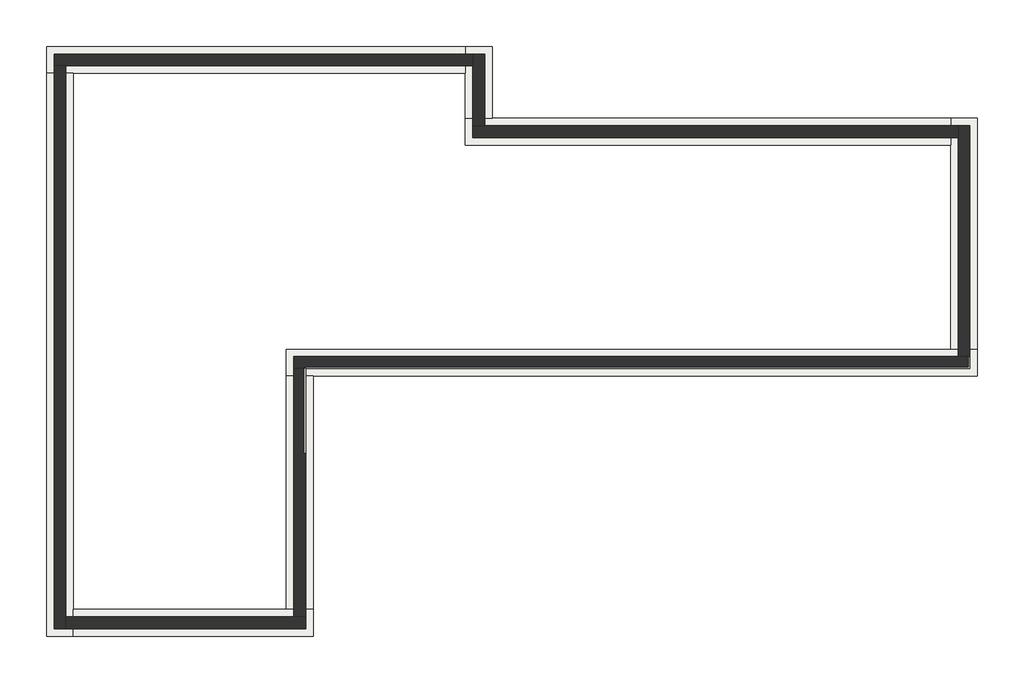
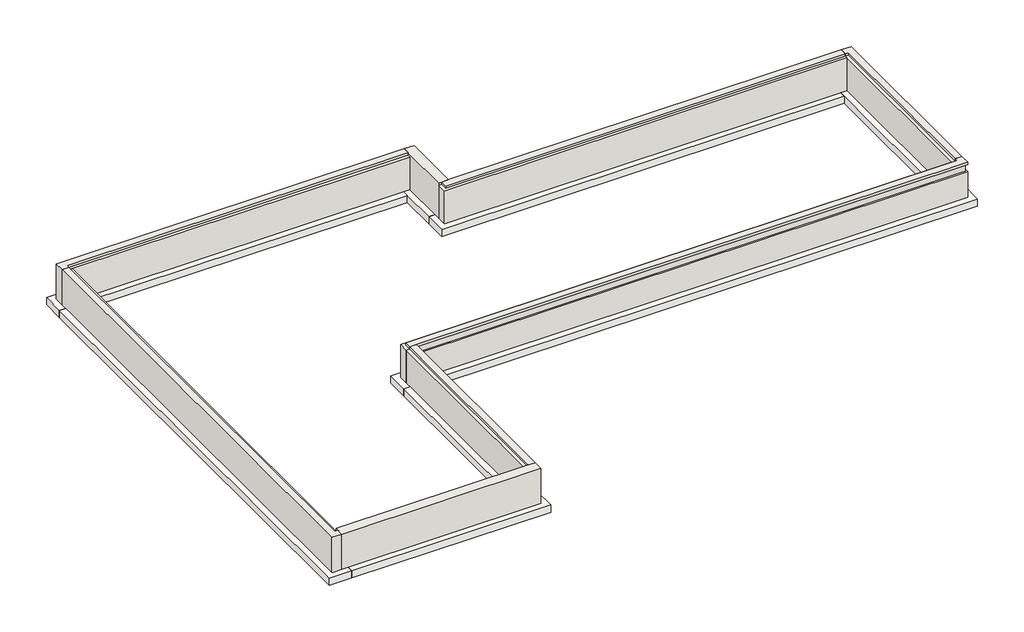
# One storey: 8 footings, 8 walls.
"""IFC4 building model written with IfcOpenShell, lengths in millimetres."""

import ifcopenshell
import ifcopenshell.guid

model = None  # the IFC model being written
_history = None  # IfcOwnerHistory: only IFC2X3 demands one
_inside = {}  # id of a spatial element -> (the spatial element, [elements in it])
_under = {}  # id of a project, library or spatial element -> (it, [spatial elements below it])
_declared = {}  # id of a project -> (the project, [libraries it declares])
_typed = {}  # id of a type object -> (the type object, [elements of that type])
_made_of = {}  # id of a material, layer set ... -> (it, [elements and type objects made of it])


def new_model(schema):
    """Start an empty IFC model of exactly this schema.

    Asked for "IFC4X3", IfcOpenShell would pick the latest addendum, in which some entities
    have other attributes; the version numbers below select the first issue.
    IFC2X3 requires an IfcOwnerHistory on every rooted entity: one is made here for all.
    """
    global model, _history
    if schema == "IFC4X3":
        model = ifcopenshell.file(schema_version=(4, 3, 0, 0))
    else:
        model = ifcopenshell.file(schema=schema)
    _inside.clear()
    _under.clear()
    _declared.clear()
    _typed.clear()
    _made_of.clear()
    _history = None
    if model.schema == "IFC2X3":
        org = make("IfcOrganization", Name="unknown")
        user = make(
            "IfcPersonAndOrganization",
            ThePerson=make("IfcPerson", FamilyName="unknown"),
            TheOrganization=org,
        )
        app = make(
            "IfcApplication",
            ApplicationDeveloper=org,
            Version="unknown",
            ApplicationFullName="unknown",
            ApplicationIdentifier="unknown",
        )
        _history = make(
            "IfcOwnerHistory",
            OwningUser=user,
            OwningApplication=app,
            ChangeAction="ADDED",
            CreationDate=0,
        )
    return model


def make(cls, **values):
    """One entity of the class cls with the attributes given. An attribute that is None is left unset."""
    return model.create_entity(
        cls, **{name: value for name, value in values.items() if value is not None}
    )


def rooted(cls, **values):
    """An entity with a GlobalId (a new one), such as an element, a storey or a relation."""
    return make(cls, GlobalId=ifcopenshell.guid.new(), OwnerHistory=_history, **values)


def si_unit(unit_type, name, prefix=None):
    """IfcSIUnit, for example si_unit("LENGTHUNIT", "METRE", prefix="MILLI")."""
    return make("IfcSIUnit", UnitType=unit_type, Prefix=prefix, Name=name)


def assignment(units):
    """IfcUnitAssignment: the units of a project."""
    return None if units is None else make("IfcUnitAssignment", Units=units)


def point(xyz):
    """IfcCartesianPoint."""
    return None if xyz is None else make("IfcCartesianPoint", Coordinates=xyz)


def direction(xyz):
    """IfcDirection."""
    return None if xyz is None else make("IfcDirection", DirectionRatios=xyz)


def frame(location, z_axis=None, x_axis=None):
    """IfcAxis2Placement3D, a coordinate frame: its origin and axes. An axis left out is left unset."""
    return make(
        "IfcAxis2Placement3D",
        Location=point(location),
        Axis=direction(z_axis),
        RefDirection=direction(x_axis),
    )


def origin():
    """The frame at (0, 0, 0) with its axes left unset."""
    return frame((0.0, 0.0, 0.0))


def place(relative_to, where):
    """IfcLocalPlacement: puts the frame where relative to a parent placement (None: the world)."""
    return make(
        "IfcLocalPlacement", PlacementRelTo=relative_to, RelativePlacement=where
    )


def context(
    kind, dimensions, precision=None, world=None, true_north=None, identifier=None
):
    """IfcGeometricRepresentationContext, for example the 3D "Model" context."""
    return make(
        "IfcGeometricRepresentationContext",
        ContextIdentifier=identifier,
        ContextType=kind,
        CoordinateSpaceDimension=dimensions,
        Precision=precision,
        WorldCoordinateSystem=world,
        TrueNorth=true_north,
    )


def project(units=None, contexts=None):
    """IfcProject with its units and contexts."""
    return rooted(
        "IfcProject",
        Name="project",
        RepresentationContexts=contexts,
        UnitsInContext=assignment(units),
    )


def spatial(cls, under=None, at=None, **own):
    """A site, building, storey or space (cls), placed at a placement, below another one or the project."""
    s = rooted(cls, ObjectPlacement=at, **own)
    if under is not None:
        _under.setdefault(under.id(), (under, []))[1].append(s)
    return s


def polyline(points):
    """IfcPolyline through the points."""
    return make("IfcPolyline", Points=[point(p) for p in points])


def outline(outer, holes=None, kind="AREA"):
    """IfcArbitraryClosedProfileDef: a profile drawn as a closed curve; with holes, ...WithVoids."""
    if holes is None:
        return make("IfcArbitraryClosedProfileDef", ProfileType=kind, OuterCurve=outer)
    return make(
        "IfcArbitraryProfileDefWithVoids",
        ProfileType=kind,
        OuterCurve=outer,
        InnerCurves=holes,
    )


def extrude(swept, where, along, depth):
    """IfcExtrudedAreaSolid: the profile swept, set in the frame where, extruded along a direction by depth."""
    return make(
        "IfcExtrudedAreaSolid",
        SweptArea=swept,
        Position=where,
        ExtrudedDirection=direction(along),
        Depth=depth,
    )


def faces_of(points, faces, orient=None, outer=None):
    """IfcFace entities. A face is a list of loops; a loop is a list of indices into points, from 0.

    orient and outer hold one flag for each loop. By default every Orientation is true, the
    first loop of a face is its IfcFaceOuterBound and the others are IfcFaceBound.
    """
    made = []
    for i, loops in enumerate(faces):
        bounds = []
        for j, loop in enumerate(loops):
            is_outer = j == 0 if outer is None else outer[i][j]
            bounds.append(
                make(
                    "IfcFaceOuterBound" if is_outer else "IfcFaceBound",
                    Bound=make("IfcPolyLoop", Polygon=[points[k] for k in loop]),
                    Orientation=True if orient is None else orient[i][j],
                )
            )
        made.append(make("IfcFace", Bounds=bounds))
    return made


def faceted_brep(points, faces, orient=None, outer=None, voids=None):
    """IfcFacetedBrep: a solid bounded by flat faces; with voids (closed shells), ...WithVoids."""
    shared = [point(p) for p in points]
    hull = make("IfcClosedShell", CfsFaces=faces_of(shared, faces, orient, outer))
    if voids is None:
        return make("IfcFacetedBrep", Outer=hull)
    return make(
        "IfcFacetedBrepWithVoids",
        Outer=hull,
        Voids=[
            make(cls, CfsFaces=faces_of(shared, fs, o, b)) for cls, fs, o, b in voids
        ],
    )


def shape(context_of_items, identifier, shape_type, items):
    """IfcShapeRepresentation: the items that make up one representation, for example the "Body"."""
    return make(
        "IfcShapeRepresentation",
        ContextOfItems=context_of_items,
        RepresentationIdentifier=identifier,
        RepresentationType=shape_type,
        Items=items,
    )


def made_of(thing, what):
    """Note that an element or type object is made of a material, layer set ...; save() writes the relation."""
    if what is not None:
        _made_of.setdefault(what.id(), (what, []))[1].append(thing)
    return thing


def element(
    cls,
    number,
    at=None,
    inside=None,
    cuts=None,
    type_object=None,
    material=None,
    context=None,
    identifier="Body",
    shape_type=None,
    held_by="IfcProductDefinitionShape",
    body=None,
    shapes=None,
    **own,
):
    """One element of the class cls, such as IfcWall. Its Tag is "e" and its number.

    at: its placement. inside: the storey or other place that contains it. cuts: it is an
    opening in that element (IfcRelVoidsElement). A single representation is given by context,
    identifier, shape_type and body (its items); several are given by shapes. held_by: the class
    of the entity that holds the representations. save() writes the other relations.
    """
    e = rooted(cls, Tag="e%d" % number, ObjectPlacement=at, **own)
    if body is not None:
        shapes = [shape(context, identifier, shape_type, body)]
    if shapes is not None:
        e.Representation = make(held_by, Representations=shapes)
    if inside is not None:
        _inside.setdefault(inside.id(), (inside, []))[1].append(e)
    if cuts is not None:
        rooted(
            "IfcRelVoidsElement", RelatingBuildingElement=cuts, RelatedOpeningElement=e
        )
    if type_object is not None:
        _typed.setdefault(type_object.id(), (type_object, []))[1].append(e)
    return made_of(e, material)


def aggregate(whole, parts):
    """IfcRelAggregates: a whole, such as a stair, and the parts it consists of."""
    return rooted("IfcRelAggregates", RelatingObject=whole, RelatedObjects=parts)


def save(model, path):
    """Write the relations noted so far, then the file.

    IfcRelAggregates (storeys below a building ...), IfcRelContainedInSpatialStructure (elements
    in a storey), IfcRelDefinesByType, IfcRelAssociatesMaterial and IfcRelDeclares: one each for
    every whole, place, type object, material and project.
    """
    for whole, parts in _under.values():
        aggregate(whole, parts)
    for where, things in _inside.values():
        rooted(
            "IfcRelContainedInSpatialStructure",
            RelatedElements=things,
            RelatingStructure=where,
        )
    for kind, things in _typed.values():
        rooted("IfcRelDefinesByType", RelatedObjects=things, RelatingType=kind)
    for what, things in _made_of.values():
        rooted("IfcRelAssociatesMaterial", RelatedObjects=things, RelatingMaterial=what)
    for by, libraries in _declared.values():
        rooted("IfcRelDeclares", RelatingContext=by, RelatedDefinitions=libraries)
    model.write(path)


model = new_model("IFC4")

# Units and contexts
model_context = context("Model", 3, world=origin())
ifc_project = project(units=[si_unit("LENGTHUNIT", "METRE", prefix="MILLI")], contexts=[model_context])

# Site, building, storey
site = spatial("IfcSite", under=ifc_project)
building = spatial("IfcBuilding", under=site)
storey = spatial("IfcBuildingStorey", under=building, Elevation=-1524.0)

# Footings
placement = place(None, origin())
element("IfcFooting", 1, ObjectType="Bearing Footing - 36\" x 12\"", at=placement, inside=storey, context=model_context, shape_type="Brep", body=[
    faceted_brep([(17416.9983448, 904.0605424, -1524.0), (16502.5983448, 904.0605424, -1524.0), (-6046.2516552, 904.0605424, -1524.0), (-6046.2516552, -10.3394576, -1524.0), (-5131.8516552, -10.3394576, -1524.0), (17416.9983448, -10.3394576, -1524.0), (17416.9983448, -10.3394576, -1828.8), (-6046.2516552, -10.3394576, -1828.8), (-5131.8516552, -10.3394576, -1828.8), (17416.9983448, 904.0605424, -1828.8), (-6046.2516552, 904.0605424, -1828.8), (16502.5983448, 904.0605424, -1828.8)], [[[0, 1, 2, 3, 4, 5]], [[6, 5, 4, 3, 7, 8]], [[9, 6, 8, 7, 10, 11]], [[0, 9, 11, 10, 2, 1]], [[0, 5, 6, 9]], [[3, 2, 10, 7]]]),
])
element("IfcFooting", 2, ObjectType="Bearing Footing - 36\" x 12\"", at=placement, inside=storey, context=model_context, shape_type="Brep", body=[
    faceted_brep([(17416.9983448, 8752.6605424, -1524.0), (16502.5983448, 8752.6605424, -1524.0), (16502.5983448, 7838.2605424, -1524.0), (16502.5983448, 904.0605424, -1524.0), (17416.9983448, 904.0605424, -1524.0), (17416.9983448, 8752.6605424, -1828.8), (17416.9983448, 904.0605424, -1828.8), (16502.5983448, 8752.6605424, -1828.8), (16502.5983448, 904.0605424, -1828.8), (16502.5983448, 7838.2605424, -1828.8)], [[[0, 1, 2, 3, 4]], [[5, 0, 4, 6]], [[7, 5, 6, 8, 9]], [[1, 7, 9, 8, 3, 2]], [[1, 0, 5, 7]], [[4, 3, 8, 6]]]),
])
element("IfcFooting", 3, ObjectType="Bearing Footing - 36\" x 12\"", at=placement, inside=storey, context=model_context, shape_type="Brep", body=[
    faceted_brep([(33.8733448, 8752.6605424, -1524.0), (33.8733448, 7838.2605424, -1524.0), (16502.5983448, 7838.2605424, -1524.0), (16502.5983448, 8752.6605424, -1524.0), (948.2733448, 8752.6605424, -1524.0), (33.8733448, 8752.6605424, -1828.8), (16502.5983448, 8752.6605424, -1828.8), (948.2733448, 8752.6605424, -1828.8), (33.8733448, 7838.2605424, -1828.8), (16502.5983448, 7838.2605424, -1828.8)], [[[0, 1, 2, 3, 4]], [[5, 0, 4, 3, 6, 7]], [[8, 5, 7, 6, 9]], [[1, 8, 9, 2]], [[1, 0, 5, 8]], [[3, 2, 9, 6]]]),
])
element("IfcFooting", 4, ObjectType="Bearing Footing - 36\" x 12\"", at=placement, inside=storey, context=model_context, shape_type="Brep", body=[
    faceted_brep([(948.2733448, 11191.0605424, -1524.0), (33.8733448, 11191.0605424, -1524.0), (33.8733448, 10276.6605424, -1524.0), (33.8733448, 8752.6605424, -1524.0), (948.2733448, 8752.6605424, -1524.0), (948.2733448, 11191.0605424, -1828.8), (948.2733448, 8752.6605424, -1828.8), (33.8733448, 11191.0605424, -1828.8), (33.8733448, 8752.6605424, -1828.8), (33.8733448, 10276.6605424, -1828.8)], [[[0, 1, 2, 3, 4]], [[5, 0, 4, 6]], [[7, 5, 6, 8, 9]], [[1, 7, 9, 8, 3, 2]], [[1, 0, 5, 7]], [[4, 3, 8, 6]]]),
])
element("IfcFooting", 5, ObjectType="Bearing Footing - 36\" x 12\"", at=placement, inside=storey, context=model_context, shape_type="Brep", body=[
    faceted_brep([(-14190.1266552, 11191.0605424, -1524.0), (-14190.1266552, 10276.6605424, -1524.0), (-13275.7266552, 10276.6605424, -1524.0), (33.8733448, 10276.6605424, -1524.0), (33.8733448, 11191.0605424, -1524.0), (-14190.1266552, 11191.0605424, -1828.8), (33.8733448, 11191.0605424, -1828.8), (-14190.1266552, 10276.6605424, -1828.8), (33.8733448, 10276.6605424, -1828.8), (-13275.7266552, 10276.6605424, -1828.8)], [[[0, 1, 2, 3, 4]], [[5, 0, 4, 6]], [[7, 5, 6, 8, 9]], [[1, 7, 9, 8, 3, 2]], [[1, 0, 5, 7]], [[4, 3, 8, 6]]]),
])
element("IfcFooting", 6, ObjectType="Bearing Footing - 36\" x 12\"", at=placement, inside=storey, context=model_context, shape_type="Brep", body=[
    faceted_brep([(-14190.1266552, -8840.0144576, -1524.0), (-13275.7266552, -8840.0144576, -1524.0), (-13275.7266552, -7925.6144576, -1524.0), (-13275.7266552, 10276.6605424, -1524.0), (-14190.1266552, 10276.6605424, -1524.0), (-14190.1266552, -8840.0144576, -1828.8), (-14190.1266552, 10276.6605424, -1828.8), (-13275.7266552, -8840.0144576, -1828.8), (-13275.7266552, 10276.6605424, -1828.8), (-13275.7266552, -7925.6144576, -1828.8)], [[[0, 1, 2, 3, 4]], [[5, 0, 4, 6]], [[7, 5, 6, 8, 9]], [[1, 7, 9, 8, 3, 2]], [[1, 0, 5, 7]], [[4, 3, 8, 6]]]),
])
element("IfcFooting", 7, ObjectType="Bearing Footing - 36\" x 12\"", at=placement, inside=storey, context=model_context, shape_type="Brep", body=[
    faceted_brep([(-5131.8516552, -8840.0144576, -1524.0), (-5131.8516552, -7925.6144576, -1524.0), (-6046.2516552, -7925.6144576, -1524.0), (-13275.7266552, -7925.6144576, -1524.0), (-13275.7266552, -8840.0144576, -1524.0), (-5131.8516552, -8840.0144576, -1828.8), (-13275.7266552, -8840.0144576, -1828.8), (-5131.8516552, -7925.6144576, -1828.8), (-13275.7266552, -7925.6144576, -1828.8), (-6046.2516552, -7925.6144576, -1828.8)], [[[0, 1, 2, 3, 4]], [[5, 0, 4, 6]], [[7, 5, 6, 8, 9]], [[1, 7, 9, 8, 3, 2]], [[1, 0, 5, 7]], [[4, 3, 8, 6]]]),
])
element("IfcFooting", 8, ObjectType="Bearing Footing - 36\" x 12\"", at=placement, inside=storey, context=model_context, shape_type="SweptSolid", body=[
    extrude(outline(polyline([(-6046.2516552, -10.3394576), (-5131.8516552, -10.3394576), (-5131.8516552, -7925.6144576), (-6046.2516552, -7925.6144576), (-6046.2516552, -10.3394576)])), frame((0.0, 0.0, -1828.8), z_axis=(0.0, 0.0, 1.0), x_axis=(1.0, 0.0, 0.0)), (0.0, 0.0, 1.0), 304.8),
])

# Walls
element("IfcWall", 9, ObjectType="Foundation - 16\" Concrete", at=placement, inside=storey, context=model_context, shape_type="Brep", body=[
    faceted_brep([(17162.9983448, 650.0605424, -1524.0), (16756.5983448, 650.0605424, -1524.0), (-5792.2516552, 650.0605424, -1524.0), (-5792.2516552, 650.0605424, -101.6), (16756.5983448, 650.0605424, -101.6), (16885.1858448, 650.0605424, -101.6), (16885.1858448, 650.0605424, 0.0), (17162.9983448, 650.0605424, 0.0), (17162.9983448, 650.0605424, -101.6), (17096.3233448, 650.0605424, -101.6), (17096.3233448, 650.0605424, -406.4), (17162.9983448, 650.0605424, -406.4), (-5792.2516552, 243.6605424, -1524.0), (-5385.8516552, 243.6605424, -1524.0), (17162.9983448, 243.6605424, -1524.0), (17162.9983448, 243.6605424, -406.4), (-5385.8516552, 243.6605424, -406.4), (-5452.5266552, 243.6605424, -406.4), (-5452.5266552, 243.6605424, -101.6), (-5385.8516552, 243.6605424, -101.6), (17162.9983448, 243.6605424, -101.6), (17162.9983448, 243.6605424, 0.0), (-5385.8516552, 243.6605424, 0.0), (-5663.6641552, 243.6605424, 0.0), (-5663.6641552, 243.6605424, -101.6), (-5792.2516552, 243.6605424, -101.6), (16885.1858448, 521.4730424, 0.0), (518.0608448, 521.4730424, 0.0), (-5663.6641552, 521.4730424, 0.0), (518.0608448, 521.4730424, -101.6), (16885.1858448, 521.4730424, -101.6), (-5663.6641552, 521.4730424, -101.6), (17096.3233448, 310.3355424, -406.4), (-5452.5266552, 310.3355424, -406.4), (-5452.5266552, 310.3355424, -101.6), (17096.3233448, 310.3355424, -101.6)], [[[0, 1, 2, 3, 4, 5, 6, 7, 8, 9, 10, 11]], [[12, 13, 14, 15, 16, 17, 18, 19, 20, 21, 22, 23, 24, 25]], [[2, 1, 0, 14, 13, 12]], [[21, 7, 6, 26, 27, 28, 23, 22]], [[7, 21, 20, 8]], [[14, 0, 11, 15]], [[2, 12, 25, 3]], [[29, 30, 5, 4, 3, 25, 24, 31]], [[30, 26, 6, 5]], [[30, 29, 27, 26]], [[29, 31, 28, 27]], [[28, 31, 24, 23]], [[32, 33, 17, 16, 15, 11, 10]], [[34, 35, 9, 8, 20, 19, 18]], [[33, 34, 18, 17]], [[33, 32, 35, 34]], [[35, 32, 10, 9]]]),
])
element("IfcWall", 10, ObjectType="Foundation - 16\" Concrete", at=placement, inside=storey, context=model_context, shape_type="Brep", body=[
    faceted_brep([(16756.5983448, 8498.6605424, -1524.0), (16756.5983448, 8092.2605424, -1524.0), (16756.5983448, 650.0605424, -1524.0), (16756.5983448, 650.0605424, -101.6), (16756.5983448, 8092.2605424, -101.6), (16756.5983448, 8220.8480424, -101.6), (16756.5983448, 8220.8480424, 0.0), (16756.5983448, 8498.6605424, 0.0), (17162.9983448, 650.0605424, -1524.0), (17162.9983448, 8498.6605424, -1524.0), (17162.9983448, 8498.6605424, 0.0), (17162.9983448, 650.0605424, 0.0), (17162.9983448, 650.0605424, -101.6), (17162.9983448, 650.0605424, -203.2), (16885.1858448, 8220.8480424, 0.0), (16885.1858448, 650.0605424, 0.0), (16885.1858448, 650.0605424, -101.6), (16885.1858448, 8220.8480424, -101.6)], [[[0, 1, 2, 3, 4, 5, 6, 7]], [[8, 9, 10, 11, 12, 13]], [[2, 1, 0, 9, 8]], [[11, 10, 7, 6, 14, 15]], [[2, 8, 13, 12, 11, 15, 16, 3]], [[0, 7, 10, 9]], [[16, 17, 5, 4, 3]], [[17, 14, 6, 5]], [[14, 17, 16, 15]]]),
])
element("IfcWall", 11, ObjectType="Foundation - 16\" Concrete", at=placement, inside=storey, context=model_context, shape_type="Brep", body=[
    faceted_brep([(287.8733448, 8092.2605424, -1524.0), (16756.5983448, 8092.2605424, -1524.0), (16756.5983448, 8092.2605424, -101.6), (287.8733448, 8092.2605424, -101.6), (16756.5983448, 8498.6605424, -1524.0), (694.2733448, 8498.6605424, -1524.0), (287.8733448, 8498.6605424, -1524.0), (287.8733448, 8498.6605424, -101.6), (416.4608448, 8498.6605424, -101.6), (416.4608448, 8498.6605424, 0.0), (694.2733448, 8498.6605424, 0.0), (16756.5983448, 8498.6605424, 0.0), (416.4608448, 8220.8480424, 0.0), (16756.5983448, 8220.8480424, 0.0), (16756.5983448, 8220.8480424, -101.6), (416.4608448, 8220.8480424, -101.6)], [[[0, 1, 2, 3]], [[4, 5, 6, 7, 8, 9, 10, 11]], [[1, 0, 6, 5, 4]], [[11, 10, 9, 12, 13]], [[1, 4, 11, 13, 14, 2]], [[6, 0, 3, 7]], [[14, 15, 8, 7, 3, 2]], [[15, 12, 9, 8]], [[12, 15, 14, 13]]]),
])
element("IfcWall", 12, ObjectType="Foundation - 16\" Concrete", at=placement, inside=storey, context=model_context, shape_type="Brep", body=[
    faceted_brep([(287.8733448, 10937.0605424, -1524.0), (287.8733448, 10530.6605424, -1524.0), (287.8733448, 8498.6605424, -1524.0), (287.8733448, 8498.6605424, -101.6), (287.8733448, 8498.6605424, 0.0), (287.8733448, 10530.6605424, 0.0), (287.8733448, 10937.0605424, 0.0), (694.2733448, 10937.0605424, -1524.0), (694.2733448, 10937.0605424, 0.0), (694.2733448, 8498.6605424, 0.0), (694.2733448, 8498.6605424, -1524.0), (416.4608448, 8498.6605424, 0.0)], [[[0, 1, 2, 3, 4, 5, 6]], [[7, 8, 9, 10]], [[2, 1, 0, 7, 10]], [[6, 5, 4, 11, 9, 8]], [[4, 3, 2, 10, 9, 11]], [[0, 6, 8, 7]]]),
])
element("IfcWall", 13, ObjectType="Foundation - 16\" Concrete", at=placement, inside=storey, context=model_context, shape_type="Brep", body=[
    faceted_brep([(-13936.1266552, 10530.6605424, -1524.0), (-13529.7266552, 10530.6605424, -1524.0), (287.8733448, 10530.6605424, -1524.0), (287.8733448, 10530.6605424, -101.6), (-13529.7266552, 10530.6605424, -101.6), (-13658.3141552, 10530.6605424, -101.6), (-13658.3141552, 10530.6605424, 0.0), (-13936.1266552, 10530.6605424, 0.0), (287.8733448, 10937.0605424, -1524.0), (-13936.1266552, 10937.0605424, -1524.0), (-13936.1266552, 10937.0605424, 0.0), (287.8733448, 10937.0605424, 0.0), (-13658.3141552, 10659.2480424, 0.0), (287.8733448, 10659.2480424, 0.0), (287.8733448, 10659.2480424, -101.6), (-13658.3141552, 10659.2480424, -101.6)], [[[0, 1, 2, 3, 4, 5, 6, 7]], [[8, 9, 10, 11]], [[2, 1, 0, 9, 8]], [[11, 10, 7, 6, 12, 13]], [[2, 8, 11, 13, 14, 3]], [[0, 7, 10, 9]], [[14, 15, 5, 4, 3]], [[15, 12, 6, 5]], [[12, 15, 14, 13]]]),
])
element("IfcWall", 14, ObjectType="Foundation - 16\" Concrete", at=placement, inside=storey, context=model_context, shape_type="Brep", body=[
    faceted_brep([(-13529.7266552, -8586.0144576, -1524.0), (-13529.7266552, -8179.6144576, -1524.0), (-13529.7266552, 10530.6605424, -1524.0), (-13529.7266552, 10530.6605424, -101.6), (-13529.7266552, -8308.2019576, -101.6), (-13529.7266552, -8308.2019576, 0.0), (-13529.7266552, -8586.0144576, 0.0), (-13936.1266552, 10530.6605424, -1524.0), (-13936.1266552, -8586.0144576, -1524.0), (-13936.1266552, -8586.0144576, 0.0), (-13936.1266552, 10530.6605424, 0.0), (-13658.3141552, -8308.2019576, 0.0), (-13658.3141552, 10530.6605424, 0.0), (-13658.3141552, 10530.6605424, -101.6), (-13658.3141552, -8308.2019576, -101.6)], [[[0, 1, 2, 3, 4, 5, 6]], [[7, 8, 9, 10]], [[2, 1, 0, 8, 7]], [[10, 9, 6, 5, 11, 12]], [[2, 7, 10, 12, 13, 3]], [[0, 6, 9, 8]], [[13, 14, 4, 3]], [[14, 11, 5, 4]], [[11, 14, 13, 12]]]),
])
element("IfcWall", 15, ObjectType="Foundation - 16\" Concrete", at=placement, inside=storey, context=model_context, shape_type="Brep", body=[
    faceted_brep([(-5385.8516552, -8179.6144576, -1524.0), (-5792.2516552, -8179.6144576, -1524.0), (-13529.7266552, -8179.6144576, -1524.0), (-13529.7266552, -8179.6144576, 0.0), (-5663.6641552, -8179.6144576, 0.0), (-5385.8516552, -8179.6144576, 0.0), (-5385.8516552, -8586.0144576, -1524.0), (-5385.8516552, -8586.0144576, 0.0), (-13529.7266552, -8586.0144576, 0.0), (-13529.7266552, -8586.0144576, -1524.0)], [[[0, 1, 2, 3, 4, 5]], [[6, 7, 8, 9]], [[2, 1, 0, 6, 9]], [[5, 4, 3, 8, 7]], [[3, 2, 9, 8]], [[0, 5, 7, 6]]]),
])
element("IfcWall", 16, ObjectType="Foundation - 16\" Concrete", at=placement, inside=storey, context=model_context, shape_type="Brep", body=[
    faceted_brep([(-5792.2516552, 243.6605424, -1524.0), (-5792.2516552, -8179.6144576, -1524.0), (-5792.2516552, -8179.6144576, -101.6), (-5792.2516552, 243.6605424, -101.6), (-5385.8516552, -8179.6144576, -1524.0), (-5385.8516552, 243.6605424, -1524.0), (-5385.8516552, 243.6605424, -406.4), (-5385.8516552, -2639.2394576, -406.4), (-5385.8516552, -2639.2394576, -101.6), (-5385.8516552, 243.6605424, -101.6), (-5385.8516552, 243.6605424, 0.0), (-5385.8516552, -8179.6144576, 0.0), (-5663.6641552, 243.6605424, 0.0), (-5663.6641552, -8179.6144576, 0.0), (-5663.6641552, -8179.6144576, -101.6), (-5663.6641552, 243.6605424, -101.6), (-5452.5266552, 243.6605424, -101.6), (-5452.5266552, 243.6605424, -406.4), (-5452.5266552, -2639.2394576, -406.4), (-5452.5266552, -2639.2394576, -101.6)], [[[0, 1, 2, 3]], [[4, 5, 6, 7, 8, 9, 10, 11]], [[1, 0, 5, 4]], [[11, 10, 12, 13]], [[1, 4, 11, 13, 14, 2]], [[5, 0, 3, 15, 12, 10, 9, 16, 17, 6]], [[14, 15, 3, 2]], [[15, 14, 13, 12]], [[18, 7, 6, 17]], [[19, 16, 9, 8]], [[19, 18, 17, 16]], [[18, 19, 8, 7]]]),
])

save(model, "model.ifc")
